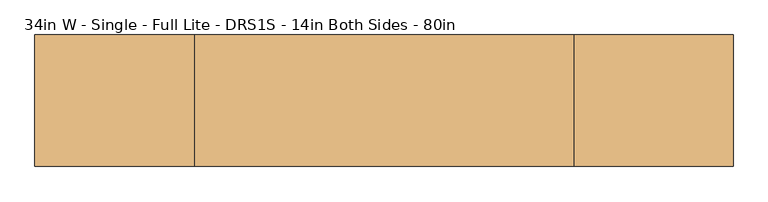
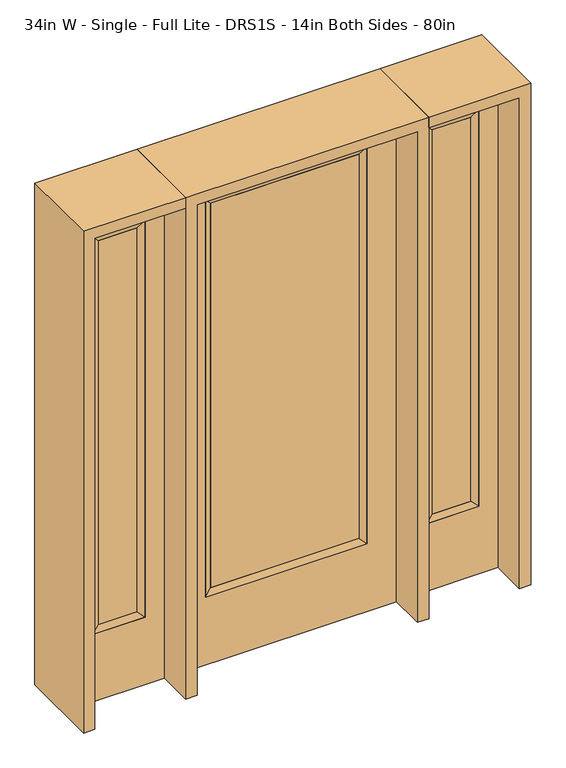
"""IFC4 building model written with IfcOpenShell, lengths in millimetres: door geometry, 34in W - Single - Full Lite - DRS1S - 14in Both Sides - 80in."""

from ifc_helpers import new_model, si_unit, frame, origin, place, context, project, spatial, polyline, outline, extrude, faceted_brep, source, transform, mapped, element, save


def door_34in_w_single_full_lite_drs1s_14in_both_sides_80in_5ad488e9(model_context):
    return source(origin(), model_context, "Body", "SolidModel", [
        extrude(outline(polyline([(290.9824, -12.7039749), (-290.9824, -12.7039749), (-290.9824, 14.2875), (290.9824, 14.2875), (290.9824, -12.7039749)])), frame((0.0, 0.0, 304.8), z_axis=(0.0, 0.0, 1.0), x_axis=(1.0, 0.0, 0.0)), (0.0, 0.0, 1.0), 1591.1576),
        faceted_brep([(290.9824, 14.2875, 1895.9576), (316.3824, 22.225, 1921.3576), (316.3824, 22.225, 279.4), (290.9824, 14.2875, 304.8), (316.3824, -22.225, 1921.3576), (316.3824, -22.225, 279.4), (-316.3824, 22.225, 279.4), (-290.9824, 14.2875, 304.8), (290.9824, -12.7039749, 1895.9576), (290.9824, -12.7039749, 304.8), (-290.9824, -12.7039749, 304.8), (-316.3824, -22.225, 279.4), (-316.3824, 22.225, 1921.3576), (-290.9824, 14.2875, 1895.9576), (-290.9824, -12.7039749, 1895.9576), (-316.3824, -22.225, 1921.3576)], [[[0, 1, 2, 3]], [[1, 4, 5, 2]], [[3, 2, 6, 7]], [[8, 0, 3, 9]], [[9, 3, 7, 10]], [[4, 8, 9, 5]], [[5, 9, 10, 11]], [[2, 5, 11, 6]], [[7, 6, 12, 13]], [[10, 7, 13, 14]], [[11, 10, 14, 15]], [[6, 11, 15, 12]], [[13, 12, 1, 0]], [[14, 13, 0, 8]], [[15, 14, 8, 4]], [[12, 15, 4, 1]]]),
        extrude(outline(polyline([(0.0, -431.8), (0.0, 431.8), (2032.0, 431.8), (2032.0, -431.8), (0.0, -431.8)]), holes=[polyline([(279.4, -316.3824), (1921.3576, -316.3824), (1921.3576, 316.3824), (279.4, 316.3824), (279.4, -316.3824)])]), frame((0.0, -22.225, 0.0), z_axis=(0.0, 1.0, 0.0), x_axis=(0.0, 0.0, 1.0)), (0.0, 0.0, 1.0), 44.45),
        faceted_brep([(552.45, 20.6375, 1920.875), (552.45, 20.6375, 279.4), (552.45, -20.6375, 279.4), (552.45, -20.6375, 1920.875), (577.85, -12.7, 304.8), (577.85, -12.7, 1895.475), (755.65, 20.6375, 279.4), (755.65, -20.6375, 279.4), (577.85, 12.7, 1895.475), (577.85, 12.7, 304.8), (730.25, 12.7, 304.8), (730.25, -12.7, 304.8), (755.65, 20.6375, 1920.875), (755.65, -20.6375, 1920.875), (730.25, 12.7, 1895.475), (730.25, -12.7, 1895.475)], [[[0, 1, 2, 3]], [[3, 2, 4, 5]], [[1, 6, 7, 2]], [[8, 9, 1, 0]], [[9, 10, 6, 1]], [[5, 4, 9, 8]], [[4, 11, 10, 9]], [[2, 7, 11, 4]], [[6, 12, 13, 7]], [[10, 14, 12, 6]], [[11, 15, 14, 10]], [[7, 13, 15, 11]], [[12, 0, 3, 13]], [[14, 8, 0, 12]], [[15, 5, 8, 14]], [[13, 3, 5, 15]]]),
        extrude(outline(polyline([(0.0, 831.85), (2032.0, 831.85), (2032.0, 476.25), (0.0, 476.25), (0.0, 831.85)]), holes=[polyline([(1920.875, 552.45), (1920.875, 755.65), (279.4, 755.65), (279.4, 552.45), (1920.875, 552.45)])]), frame((0.0, -20.6375, 0.0), z_axis=(0.0, 1.0, 0.0), x_axis=(0.0, 0.0, 1.0)), (0.0, 0.0, 1.0), 41.275),
        extrude(outline(polyline([(577.85, -12.7), (577.85, 12.7), (730.25, 12.7), (730.25, -12.7), (577.85, -12.7)])), frame((0.0, 0.0, 304.8), z_axis=(0.0, 0.0, 1.0), x_axis=(1.0, 0.0, 0.0)), (0.0, 0.0, 1.0), 1590.675),
        faceted_brep([(-552.45, 20.6375, 1920.875), (-552.45, -20.6375, 1920.875), (-552.45, -20.6375, 279.4), (-552.45, 20.6375, 279.4), (-577.85, -12.7, 1895.475), (-577.85, -12.7, 304.8), (-755.65, -20.6375, 279.4), (-755.65, 20.6375, 279.4), (-577.85, 12.7, 1895.475), (-577.85, 12.7, 304.8), (-730.25, 12.7, 304.8), (-730.25, -12.7, 304.8), (-755.65, -20.6375, 1920.875), (-755.65, 20.6375, 1920.875), (-730.25, 12.7, 1895.475), (-730.25, -12.7, 1895.475)], [[[0, 1, 2, 3]], [[1, 4, 5, 2]], [[3, 2, 6, 7]], [[8, 0, 3, 9]], [[9, 3, 7, 10]], [[4, 8, 9, 5]], [[5, 9, 10, 11]], [[2, 5, 11, 6]], [[7, 6, 12, 13]], [[10, 7, 13, 14]], [[11, 10, 14, 15]], [[6, 11, 15, 12]], [[13, 12, 1, 0]], [[14, 13, 0, 8]], [[15, 14, 8, 4]], [[12, 15, 4, 1]]]),
        extrude(outline(polyline([(0.0, -831.85), (0.0, -476.25), (2032.0, -476.25), (2032.0, -831.85), (0.0, -831.85)]), holes=[polyline([(1920.875, -552.45), (279.4, -552.45), (279.4, -755.65), (1920.875, -755.65), (1920.875, -552.45)])]), frame((0.0, -20.6375, 0.0), z_axis=(0.0, 1.0, 0.0), x_axis=(0.0, 0.0, 1.0)), (0.0, 0.0, 1.0), 41.275),
        extrude(outline(polyline([(-577.85, -12.7), (-730.25, -12.7), (-730.25, 12.7), (-577.85, 12.7), (-577.85, -12.7)])), frame((0.0, 0.0, 304.8), z_axis=(0.0, 0.0, 1.0), x_axis=(1.0, 0.0, 0.0)), (0.0, 0.0, 1.0), 1590.675),
        extrude(outline(polyline([(2032.0, -476.25), (2076.45, -476.25), (2076.45, -876.3), (0.0, -876.3), (0.0, -831.85), (2032.0, -831.85), (2032.0, -476.25)])), frame((0.0, -165.1, 0.0), z_axis=(0.0, 1.0, 0.0), x_axis=(0.0, 0.0, 1.0)), (0.0, 0.0, 1.0), 330.2),
        extrude(outline(polyline([(2076.45, -476.25), (0.0, -476.25), (0.0, -431.8), (2032.0, -431.8), (2032.0, 431.8), (0.0, 431.8), (0.0, 476.25), (2076.45, 476.25), (2076.45, -476.25)])), frame((0.0, -165.1, 0.0), z_axis=(0.0, 1.0, 0.0), x_axis=(0.0, 0.0, 1.0)), (0.0, 0.0, 1.0), 330.2),
        extrude(outline(polyline([(0.0, 831.85), (0.0, 876.3), (2076.45, 876.3), (2076.45, 476.25), (2032.0, 476.25), (2032.0, 831.85), (0.0, 831.85)])), frame((0.0, -165.1, 0.0), z_axis=(0.0, 1.0, 0.0), x_axis=(0.0, 0.0, 1.0)), (0.0, 0.0, 1.0), 330.2),
    ])


if __name__ == "__main__":
    model = new_model("IFC4")
    model_context = context("Model", 3, world=origin())
    ifc_project = project(units=[si_unit("LENGTHUNIT", "METRE", prefix="MILLI")], contexts=[model_context])
    site = spatial("IfcSite", under=ifc_project)
    building = spatial("IfcBuilding", under=site)
    placement = place(None, origin())
    door_34in_w_single_full_lite_drs1s_14in_both_sides_80in_shape = door_34in_w_single_full_lite_drs1s_14in_both_sides_80in_5ad488e9(model_context)
    element("IfcDoor", 1, ObjectType="34in W - Single - Full Lite - DRS1S - 14in Both Sides - 80in", at=placement, inside=building, context=model_context, shape_type="MappedRepresentation", body=[
        mapped(door_34in_w_single_full_lite_drs1s_14in_both_sides_80in_shape, transform((0.0, 0.0, 0.0), x_axis=(1.0, 0.0, 0.0), y_axis=(0.0, 1.0, 0.0), z_axis=(0.0, 0.0, 1.0))),
    ])
    save(model, "model.ifc")
